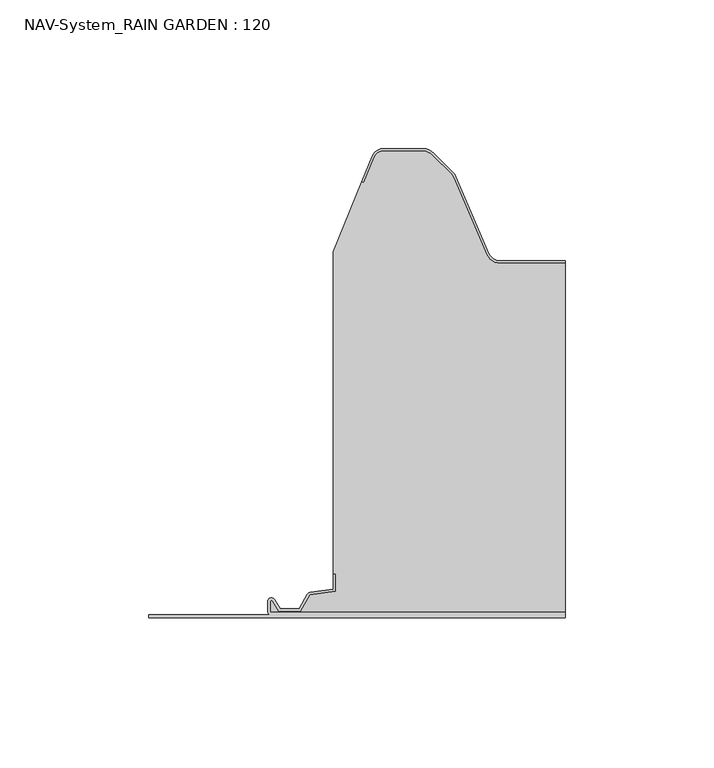
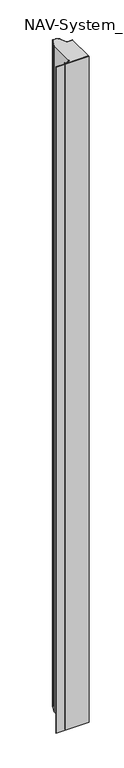
"""IFC4 building model written with IfcOpenShell, lengths in millimetres: plate geometry, NAV-System_RAIN GARDEN : 120."""

from ifc_helpers import new_model, si_unit, point, frame, frame_2d, origin, origin_with_axes, place, context, project, spatial, polyline, circle_curve, trimmed, segment, composite_curve, outline, extrude, source, transform, mapped, element, save


def nav_system_rain_garden_120_5e9fd992(model_context):
    return source(origin(), model_context, "Body", "SweptSolid", [
        extrude(outline(composite_curve([segment(polyline([(0.0, -90.0), (0.0, 50.0), (1.8, 50.0), (1.8, -48.7)]), True, "CONTINUOUS"), segment(trimmed(circle_curve(frame_2d((2.3, -48.7)), 0.5), [point((1.8, -48.7))], [point((2.3, -49.2))], True, "CARTESIAN"), True, "CONTINUOUS"), segment(polyline([(2.3, -49.2), (5.3700191, -49.2)]), True, "CONTINUOUS"), segment(trimmed(circle_curve(frame_2d((5.3700191, -48.7)), 0.5), [point((5.3700191, -49.2))], [point((5.6200191, -48.2669873))], True, "CARTESIAN"), True, "CONTINUOUS"), segment(polyline([(5.6200191, -48.2669873), (2.2, -46.2924383), (2.2, -38.9841833), (7.6866602, -35.8164586), (8.898332, -27.2), (14.6767555, -27.2), (14.6767555, -28.0), (9.5937048, -28.0), (8.5128213, -35.6863953)]), True, "CONTINUOUS"), segment(trimmed(circle_curve(frame_2d((7.2254873, -35.5053666)), 1.3), [point((8.5128213, -35.6863953))], [point((7.8754873, -36.6311996))], False, "CARTESIAN"), True, "CONTINUOUS"), segment(polyline([(7.8754873, -36.6311996), (3.0, -39.4460636), (3.0, -45.8305581), (6.0200191, -47.574167)]), True, "CONTINUOUS"), segment(trimmed(circle_curve(frame_2d((5.3700191, -48.7)), 1.3), [point((6.0200191, -47.574167))], [point((5.3700191, -50.0))], False, "CARTESIAN"), True, "CONTINUOUS"), segment(polyline([(5.3700191, -50.0), (2.3, -50.0)]), True, "CONTINUOUS"), segment(trimmed(circle_curve(frame_2d((2.3, -48.7)), 1.3), [point((2.3, -50.0))], [point((1.0, -48.7))], False, "CARTESIAN"), True, "CONTINUOUS"), segment(polyline([(1.0, -48.7), (1.0, -90.0), (0.0, -90.0)]), True, "CONTINUOUS")], self_intersect=False)), frame((0.0, 0.0, 3000.0), z_axis=(0.0, 0.0, -1.0), x_axis=(0.0, 1.0, 0.0)), (0.0, 0.0, 1.0), 3000.0),
        extrude(outline(composite_curve([segment(polyline([(28.0709249, 119.2), (50.0, 119.2), (50.0, 1.8), (-48.7, 1.8)]), True, "CONTINUOUS"), segment(trimmed(circle_curve(frame_2d((-48.7, 2.3)), 0.5), [point((-48.7, 1.8))], [point((-49.2, 2.3))], False, "CARTESIAN"), True, "CONTINUOUS"), segment(polyline([(-49.2, 2.3), (-49.2, 5.3700191)]), True, "CONTINUOUS"), segment(trimmed(circle_curve(frame_2d((-48.7, 5.3700191)), 0.5), [point((-49.2, 5.3700191))], [point((-48.2669873, 5.6200191))], False, "CARTESIAN"), True, "CONTINUOUS"), segment(polyline([(-48.2669873, 5.6200191), (-46.2924383, 2.2), (-38.9841833, 2.2), (-35.8164586, 7.6866602), (-27.2, 8.898332), (-27.2, 14.6767555), (-28.0, 14.6767555), (-28.0, 123.053822), (-18.3696578, 146.593514), (-17.6292254, 146.2905951), (-14.1022482, 154.9116756)]), True, "CONTINUOUS"), segment(trimmed(circle_curve(frame_2d((-11.1405186, 153.7)), 3.2), [point((-14.1022482, 154.9116756))], [point((-11.1405186, 156.9))], False, "CARTESIAN"), True, "CONTINUOUS"), segment(polyline([(-11.1405186, 156.9), (2.2655335, 156.9)]), True, "CONTINUOUS"), segment(trimmed(circle_curve(frame_2d((2.2655335, 152.7)), 4.2), [point((2.2655335, 156.9))], [point((5.235382, 155.6698485))], False, "CARTESIAN"), True, "CONTINUOUS"), segment(polyline([(5.235382, 155.6698485), (11.6863603, 149.2188701)]), True, "CONTINUOUS"), segment(trimmed(circle_curve(frame_2d((8.7165118, 146.2490217)), 4.2), [point((11.6863603, 149.2188701))], [point((12.5754349, 147.9069459))], False, "CARTESIAN"), True, "CONTINUOUS"), segment(polyline([(12.5754349, 147.9069459), (23.6607271, 122.1052295)]), True, "CONTINUOUS"), segment(trimmed(circle_curve(frame_2d((28.0709249, 124.0)), 4.8), [point((23.6607271, 122.1052295))], [point((28.0709249, 119.2))], True, "CARTESIAN"), True, "CONTINUOUS")], self_intersect=False)), origin_with_axes(), (0.0, 0.0, 1.0), 3000.0),
        extrude(outline(composite_curve([segment(trimmed(circle_curve(frame_2d((-11.1408608, 153.7)), 4.0), [point((-14.8430228, 155.2145945))], [point((-11.1408608, 157.7))], False, "CARTESIAN"), True, "CONTINUOUS"), segment(polyline([(-11.1408608, 157.7), (2.2651913, 157.7)]), True, "CONTINUOUS"), segment(trimmed(circle_curve(frame_2d((2.2651913, 152.7)), 5.0), [point((2.2651913, 157.7))], [point((5.8007252, 156.2355339))], False, "CARTESIAN"), True, "CONTINUOUS"), segment(polyline([(5.8007252, 156.2355339), (12.2517035, 149.7845556)]), True, "CONTINUOUS"), segment(trimmed(circle_curve(frame_2d((8.7161696, 146.2490217)), 5.0), [point((12.2517035, 149.7845556))], [point((13.3101256, 148.2227409))], False, "CARTESIAN"), True, "CONTINUOUS"), segment(polyline([(13.3101256, 148.2227409), (24.3954178, 122.4210246)]), True, "CONTINUOUS"), segment(trimmed(circle_curve(frame_2d((28.0705827, 124.0)), 4.0), [point((24.3954178, 122.4210246))], [point((28.0705827, 120.0))], True, "CARTESIAN"), True, "CONTINUOUS"), segment(polyline([(28.0705827, 120.0), (50.0, 120.0), (50.0, 119.2), (28.0705827, 119.2)]), True, "CONTINUOUS"), segment(trimmed(circle_curve(frame_2d((28.0705827, 124.0)), 4.8), [point((28.0705827, 119.2))], [point((23.6603849, 122.1052295))], False, "CARTESIAN"), True, "CONTINUOUS"), segment(polyline([(23.6603849, 122.1052295), (12.5750927, 147.9069459)]), True, "CONTINUOUS"), segment(trimmed(circle_curve(frame_2d((8.7161696, 146.2490217)), 4.2), [point((12.5750927, 147.9069459))], [point((11.6860181, 149.2188701))], True, "CARTESIAN"), True, "CONTINUOUS"), segment(polyline([(11.6860181, 149.2188701), (5.2350397, 155.6698485)]), True, "CONTINUOUS"), segment(trimmed(circle_curve(frame_2d((2.2651913, 152.7)), 4.2), [point((5.2350397, 155.6698485))], [point((2.2651913, 156.9))], True, "CARTESIAN"), True, "CONTINUOUS"), segment(polyline([(2.2651913, 156.9), (-11.1408608, 156.9)]), True, "CONTINUOUS"), segment(trimmed(circle_curve(frame_2d((-11.1408608, 153.7)), 3.2), [point((-11.1408608, 156.9))], [point((-14.1025904, 154.9116756))], True, "CARTESIAN"), True, "CONTINUOUS"), segment(polyline([(-14.1025904, 154.9116756), (-17.6295676, 146.2905951), (-18.37, 146.593514), (-14.8430228, 155.2145945)]), True, "CONTINUOUS")], self_intersect=False)), origin_with_axes(), (0.0, 0.0, 1.0), 3000.0),
    ])


if __name__ == "__main__":
    model = new_model("IFC4")
    model_context = context("Model", 3, world=origin())
    ifc_project = project(units=[si_unit("LENGTHUNIT", "METRE", prefix="MILLI")], contexts=[model_context])
    site = spatial("IfcSite", under=ifc_project)
    building = spatial("IfcBuilding", under=site)
    placement = place(None, origin())
    nav_system_rain_garden_120_shape = nav_system_rain_garden_120_5e9fd992(model_context)
    element("IfcPlate", 1, ObjectType="NAV-System_RAIN GARDEN : 120", at=placement, inside=building, context=model_context, shape_type="MappedRepresentation", body=[
        mapped(nav_system_rain_garden_120_shape, transform((0.0, 0.0, 0.0), x_axis=(1.0, 0.0, 0.0), y_axis=(0.0, 1.0, 0.0), z_axis=(0.0, 0.0, 1.0))),
    ])
    save(model, "model.ifc")
